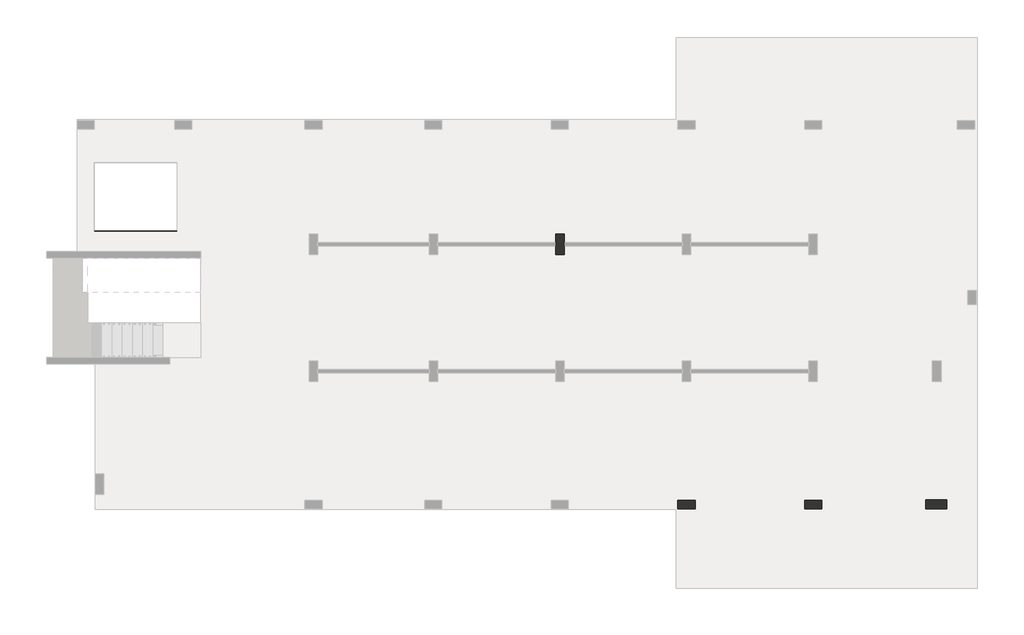
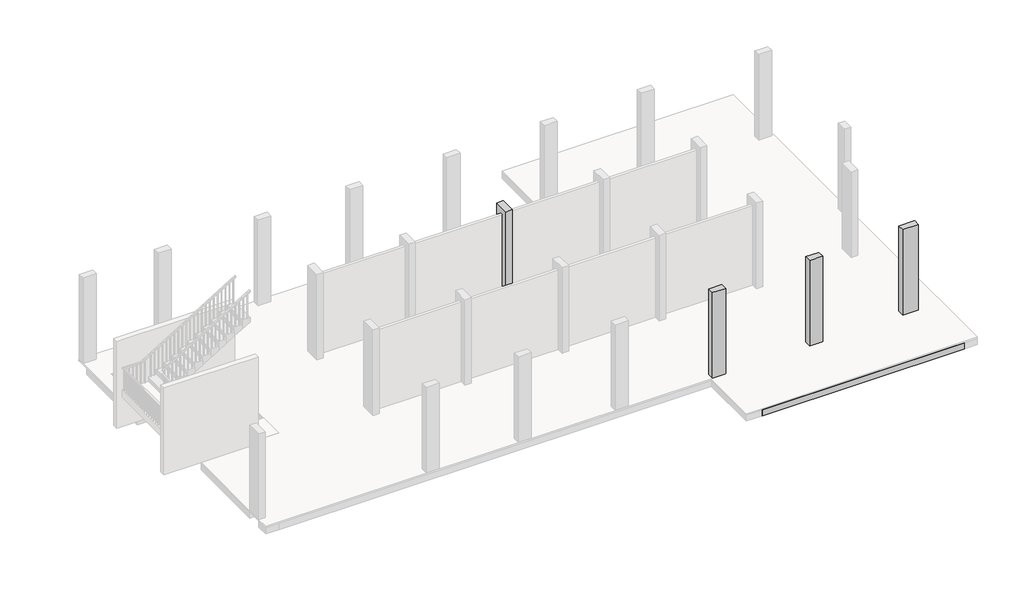
# One storey, part 3 of 5: 38 beams, 4 columns.
"""IFC4 building model written with IfcOpenShell, lengths in millimetres."""

from ifc_helpers import new_model, si_unit, frame, origin, place, context, project, spatial, polyline, outline, extrude, faceted_brep, element, save

model = new_model("IFC4")

# Units and contexts
model_context = context("Model", 3, world=origin())
ifc_project = project(units=[si_unit("LENGTHUNIT", "METRE", prefix="MILLI")], contexts=[model_context])

# Site, building, storey
site = spatial("IfcSite", under=ifc_project)
building = spatial("IfcBuilding", under=site)
storey = spatial("IfcBuildingStorey", under=building, Elevation=3500.0)

# Beams
placement = place(None, origin())
element("IfcBeam", 1, ObjectType="B 150 x 250 mm", at=placement, inside=storey, context=model_context, shape_type="SweptSolid", body=[
    extrude(outline(polyline([(21825.0195763, -7596.8939341), (21975.0195763, -7596.8939341), (21975.0195763, -10746.893934), (21825.0195763, -10746.893934), (21825.0195763, -7596.8939341)])), frame((0.0, 0.0, 3200.0), z_axis=(0.0, 0.0, 1.0), x_axis=(1.0, 0.0, 0.0)), (0.0, 0.0, 1.0), 250.0),
])
element("IfcBeam", 2, ObjectType="B 150 x 250 mm", at=placement, inside=storey, context=model_context, shape_type="SweptSolid", body=[
    extrude(outline(polyline([(22375.0195763, -7596.8939341), (22525.0195763, -7596.8939341), (22525.0195763, -10746.893934), (22375.0195763, -10746.893934), (22375.0195763, -7596.8939341)])), frame((0.0, 0.0, 3200.0), z_axis=(0.0, 0.0, 1.0), x_axis=(1.0, 0.0, 0.0)), (0.0, 0.0, 1.0), 250.0),
])
element("IfcBeam", 3, ObjectType="B 150 x 250 mm", at=placement, inside=storey, context=model_context, shape_type="SweptSolid", body=[
    extrude(outline(polyline([(22925.0195763, -7596.8939341), (23075.0195763, -7596.8939341), (23075.0195763, -10746.893934), (22925.0195763, -10746.893934), (22925.0195763, -7596.8939341)])), frame((0.0, 0.0, 3200.0), z_axis=(0.0, 0.0, 1.0), x_axis=(1.0, 0.0, 0.0)), (0.0, 0.0, 1.0), 250.0),
])
element("IfcBeam", 4, ObjectType="B 150 x 250 mm", at=placement, inside=storey, context=model_context, shape_type="SweptSolid", body=[
    extrude(outline(polyline([(23475.0195763, -7596.8939341), (23625.0195763, -7596.8939341), (23625.0195763, -10746.893934), (23475.0195763, -10746.893934), (23475.0195763, -7596.8939341)])), frame((0.0, 0.0, 3200.0), z_axis=(0.0, 0.0, 1.0), x_axis=(1.0, 0.0, 0.0)), (0.0, 0.0, 1.0), 250.0),
])
element("IfcBeam", 5, ObjectType="B 150 x 250 mm", at=placement, inside=storey, context=model_context, shape_type="SweptSolid", body=[
    extrude(outline(polyline([(24025.0195763, -7596.8939341), (24175.0195763, -7596.8939341), (24175.0195763, -10746.893934), (24025.0195763, -10746.893934), (24025.0195763, -7596.8939341)])), frame((0.0, 0.0, 3200.0), z_axis=(0.0, 0.0, 1.0), x_axis=(1.0, 0.0, 0.0)), (0.0, 0.0, 1.0), 250.0),
])
element("IfcBeam", 6, ObjectType="B 150 x 250 mm", at=placement, inside=storey, context=model_context, shape_type="SweptSolid", body=[
    extrude(outline(polyline([(24575.0195763, -7596.8939341), (24725.0195763, -7596.8939341), (24725.0195763, -10746.893934), (24575.0195763, -10746.893934), (24575.0195763, -7596.8939341)])), frame((0.0, 0.0, 3200.0), z_axis=(0.0, 0.0, 1.0), x_axis=(1.0, 0.0, 0.0)), (0.0, 0.0, 1.0), 250.0),
])
element("IfcBeam", 7, ObjectType="B 150 x 250 mm", at=placement, inside=storey, context=model_context, shape_type="SweptSolid", body=[
    extrude(outline(polyline([(25125.0195763, -7596.8939341), (25275.0195763, -7596.8939341), (25275.0195763, -10746.893934), (25125.0195763, -10746.893934), (25125.0195763, -7596.8939341)])), frame((0.0, 0.0, 3200.0), z_axis=(0.0, 0.0, 1.0), x_axis=(1.0, 0.0, 0.0)), (0.0, 0.0, 1.0), 250.0),
])
element("IfcBeam", 8, ObjectType="B 150 x 250 mm", at=placement, inside=storey, context=model_context, shape_type="SweptSolid", body=[
    extrude(outline(polyline([(21975.0195763, -13246.8939341), (21825.0195763, -13246.8939341), (21825.0195763, -11246.893934), (21975.0195763, -11246.893934), (21975.0195763, -13246.8939341)])), frame((0.0, 0.0, 3200.0), z_axis=(0.0, 0.0, 1.0), x_axis=(1.0, 0.0, 0.0)), (0.0, 0.0, 1.0), 250.0),
])
element("IfcBeam", 9, ObjectType="B 150 x 250 mm", at=placement, inside=storey, context=model_context, shape_type="SweptSolid", body=[
    extrude(outline(polyline([(22525.0195763, -13246.8939341), (22375.0195763, -13246.8939341), (22375.0195763, -11246.893934), (22525.0195763, -11246.893934), (22525.0195763, -13246.8939341)])), frame((0.0, 0.0, 3200.0), z_axis=(0.0, 0.0, 1.0), x_axis=(1.0, 0.0, 0.0)), (0.0, 0.0, 1.0), 250.0),
])
element("IfcBeam", 10, ObjectType="B 150 x 250 mm", at=placement, inside=storey, context=model_context, shape_type="SweptSolid", body=[
    extrude(outline(polyline([(23075.0195763, -13246.8939341), (22925.0195763, -13246.8939341), (22925.0195763, -11246.893934), (23075.0195763, -11246.893934), (23075.0195763, -13246.8939341)])), frame((0.0, 0.0, 3200.0), z_axis=(0.0, 0.0, 1.0), x_axis=(1.0, 0.0, 0.0)), (0.0, 0.0, 1.0), 250.0),
])
element("IfcBeam", 11, ObjectType="B 150 x 250 mm", at=placement, inside=storey, context=model_context, shape_type="SweptSolid", body=[
    extrude(outline(polyline([(23625.0195763, -13246.8939341), (23475.0195763, -13246.8939341), (23475.0195763, -11246.893934), (23625.0195763, -11246.893934), (23625.0195763, -13246.8939341)])), frame((0.0, 0.0, 3200.0), z_axis=(0.0, 0.0, 1.0), x_axis=(1.0, 0.0, 0.0)), (0.0, 0.0, 1.0), 250.0),
])
element("IfcBeam", 12, ObjectType="B 150 x 250 mm", at=placement, inside=storey, context=model_context, shape_type="SweptSolid", body=[
    extrude(outline(polyline([(24175.0195763, -13246.8939341), (24025.0195763, -13246.8939341), (24025.0195763, -11246.893934), (24175.0195763, -11246.893934), (24175.0195763, -13246.8939341)])), frame((0.0, 0.0, 3200.0), z_axis=(0.0, 0.0, 1.0), x_axis=(1.0, 0.0, 0.0)), (0.0, 0.0, 1.0), 250.0),
])
element("IfcBeam", 13, ObjectType="B 150 x 250 mm", at=placement, inside=storey, context=model_context, shape_type="SweptSolid", body=[
    extrude(outline(polyline([(24575.0195763, -11246.893934), (24725.0195763, -11246.893934), (24725.0195763, -13246.8939341), (24575.0195763, -13246.8939341), (24575.0195763, -11246.893934)])), frame((0.0, 0.0, 3200.0), z_axis=(0.0, 0.0, 1.0), x_axis=(1.0, 0.0, 0.0)), (0.0, 0.0, 1.0), 250.0),
])
element("IfcBeam", 14, ObjectType="B 150 x 250 mm", at=placement, inside=storey, context=model_context, shape_type="SweptSolid", body=[
    extrude(outline(polyline([(25275.0195763, -13246.8939341), (25125.0195763, -13246.8939341), (25125.0195763, -11246.893934), (25275.0195763, -11246.893934), (25275.0195763, -13246.8939341)])), frame((0.0, 0.0, 3200.0), z_axis=(0.0, 0.0, 1.0), x_axis=(1.0, 0.0, 0.0)), (0.0, 0.0, 1.0), 250.0),
])
element("IfcBeam", 15, ObjectType="B 150 x 250 mm", at=placement, inside=storey, context=model_context, shape_type="SweptSolid", body=[
    extrude(outline(polyline([(18375.0390798, -13246.8939341), (18225.0390798, -13246.8939341), (18225.0390798, -11246.893934), (18375.0390798, -11246.893934), (18375.0390798, -13246.8939341)])), frame((0.0, 0.0, 3200.0), z_axis=(0.0, 0.0, 1.0), x_axis=(1.0, 0.0, 0.0)), (0.0, 0.0, 1.0), 250.0),
])
element("IfcBeam", 16, ObjectType="B 150 x 250 mm", at=placement, inside=storey, context=model_context, shape_type="SweptSolid", body=[
    extrude(outline(polyline([(18925.0390798, -13246.8939341), (18775.0390798, -13246.8939341), (18775.0390798, -11246.893934), (18925.0390798, -11246.893934), (18925.0390798, -13246.8939341)])), frame((0.0, 0.0, 3200.0), z_axis=(0.0, 0.0, 1.0), x_axis=(1.0, 0.0, 0.0)), (0.0, 0.0, 1.0), 250.0),
])
element("IfcBeam", 17, ObjectType="B 150 x 250 mm", at=placement, inside=storey, context=model_context, shape_type="SweptSolid", body=[
    extrude(outline(polyline([(19475.0390798, -13246.8939341), (19325.0390798, -13246.8939341), (19325.0390798, -11246.893934), (19475.0390798, -11246.893934), (19475.0390798, -13246.8939341)])), frame((0.0, 0.0, 3200.0), z_axis=(0.0, 0.0, 1.0), x_axis=(1.0, 0.0, 0.0)), (0.0, 0.0, 1.0), 250.0),
])
element("IfcBeam", 18, ObjectType="B 150 x 250 mm", at=placement, inside=storey, context=model_context, shape_type="SweptSolid", body=[
    extrude(outline(polyline([(20025.0390798, -13246.8939341), (19875.0390798, -13246.8939341), (19875.0390798, -11246.893934), (20025.0390798, -11246.893934), (20025.0390798, -13246.8939341)])), frame((0.0, 0.0, 3200.0), z_axis=(0.0, 0.0, 1.0), x_axis=(1.0, 0.0, 0.0)), (0.0, 0.0, 1.0), 250.0),
])
element("IfcBeam", 19, ObjectType="B 150 x 250 mm", at=placement, inside=storey, context=model_context, shape_type="SweptSolid", body=[
    extrude(outline(polyline([(20575.0390798, -13246.8939341), (20425.0390798, -13246.8939341), (20425.0390798, -11246.893934), (20575.0390798, -11246.893934), (20575.0390798, -13246.8939341)])), frame((0.0, 0.0, 3200.0), z_axis=(0.0, 0.0, 1.0), x_axis=(1.0, 0.0, 0.0)), (0.0, 0.0, 1.0), 250.0),
])
element("IfcBeam", 20, ObjectType="B 150 x 250 mm", at=placement, inside=storey, context=model_context, shape_type="SweptSolid", body=[
    extrude(outline(polyline([(18225.0390798, -7596.8939341), (18375.0390798, -7596.8939341), (18375.0390798, -10746.893934), (18225.0390798, -10746.893934), (18225.0390798, -7596.8939341)])), frame((0.0, 0.0, 3200.0), z_axis=(0.0, 0.0, 1.0), x_axis=(1.0, 0.0, 0.0)), (0.0, 0.0, 1.0), 250.0),
])
element("IfcBeam", 21, ObjectType="B 150 x 250 mm", at=placement, inside=storey, context=model_context, shape_type="SweptSolid", body=[
    extrude(outline(polyline([(18775.0390798, -7596.8939341), (18925.0390798, -7596.8939341), (18925.0390798, -10746.893934), (18775.0390798, -10746.893934), (18775.0390798, -7596.8939341)])), frame((0.0, 0.0, 3200.0), z_axis=(0.0, 0.0, 1.0), x_axis=(1.0, 0.0, 0.0)), (0.0, 0.0, 1.0), 250.0),
])
element("IfcBeam", 22, ObjectType="B 150 x 250 mm", at=placement, inside=storey, context=model_context, shape_type="SweptSolid", body=[
    extrude(outline(polyline([(19325.0390798, -7596.8939341), (19475.0390798, -7596.8939341), (19475.0390798, -10746.893934), (19325.0390798, -10746.893934), (19325.0390798, -7596.8939341)])), frame((0.0, 0.0, 3200.0), z_axis=(0.0, 0.0, 1.0), x_axis=(1.0, 0.0, 0.0)), (0.0, 0.0, 1.0), 250.0),
])
element("IfcBeam", 23, ObjectType="B 150 x 250 mm", at=placement, inside=storey, context=model_context, shape_type="SweptSolid", body=[
    extrude(outline(polyline([(19875.0390798, -7596.8939341), (20025.0390798, -7596.8939341), (20025.0390798, -10746.893934), (19875.0390798, -10746.893934), (19875.0390798, -7596.8939341)])), frame((0.0, 0.0, 3200.0), z_axis=(0.0, 0.0, 1.0), x_axis=(1.0, 0.0, 0.0)), (0.0, 0.0, 1.0), 250.0),
])
element("IfcBeam", 24, ObjectType="B 150 x 250 mm", at=placement, inside=storey, context=model_context, shape_type="SweptSolid", body=[
    extrude(outline(polyline([(20425.0390798, -7596.8939341), (20575.0390798, -7596.8939341), (20575.0390798, -10746.893934), (20425.0390798, -10746.893934), (20425.0390798, -7596.8939341)])), frame((0.0, 0.0, 3200.0), z_axis=(0.0, 0.0, 1.0), x_axis=(1.0, 0.0, 0.0)), (0.0, 0.0, 1.0), 250.0),
])
element("IfcBeam", 25, ObjectType="B 150 x 250 mm", at=placement, inside=storey, context=model_context, shape_type="SweptSolid", body=[
    extrude(outline(polyline([(14525.0390798, -346.893934), (14675.0390798, -346.893934), (14675.0390798, -3096.893934), (14525.0390798, -3096.893934), (14525.0390798, -346.893934)])), frame((0.0, 0.0, 3200.0), z_axis=(0.0, 0.0, 1.0), x_axis=(1.0, 0.0, 0.0)), (0.0, 0.0, 1.0), 250.0),
])
element("IfcBeam", 26, ObjectType="B 150 x 250 mm", at=placement, inside=storey, context=model_context, shape_type="SweptSolid", body=[
    extrude(outline(polyline([(15075.0390798, -346.893934), (15225.0390798, -346.893934), (15225.0390798, -3096.893934), (15075.0390798, -3096.893934), (15075.0390798, -346.893934)])), frame((0.0, 0.0, 3200.0), z_axis=(0.0, 0.0, 1.0), x_axis=(1.0, 0.0, 0.0)), (0.0, 0.0, 1.0), 250.0),
])
element("IfcBeam", 27, ObjectType="B 150 x 250 mm", at=placement, inside=storey, context=model_context, shape_type="SweptSolid", body=[
    extrude(outline(polyline([(15625.0390798, -346.893934), (15775.0390798, -346.893934), (15775.0390798, -3096.893934), (15625.0390798, -3096.893934), (15625.0390798, -346.893934)])), frame((0.0, 0.0, 3200.0), z_axis=(0.0, 0.0, 1.0), x_axis=(1.0, 0.0, 0.0)), (0.0, 0.0, 1.0), 250.0),
])
element("IfcBeam", 28, ObjectType="B 150 x 250 mm", at=placement, inside=storey, context=model_context, shape_type="SweptSolid", body=[
    extrude(outline(polyline([(16175.0390798, -7596.8939341), (16325.0390798, -7596.8939341), (16325.0390798, -10746.893934), (16175.0390798, -10746.893934), (16175.0390798, -7596.8939341)])), frame((0.0, 0.0, 3200.0), z_axis=(0.0, 0.0, 1.0), x_axis=(1.0, 0.0, 0.0)), (0.0, 0.0, 1.0), 250.0),
])
element("IfcBeam", 29, ObjectType="B 150 x 250 mm", at=placement, inside=storey, context=model_context, shape_type="SweptSolid", body=[
    extrude(outline(polyline([(16725.0390798, -7596.8939341), (16875.0390798, -7596.8939341), (16875.0390798, -10746.893934), (16725.0390798, -10746.893934), (16725.0390798, -7596.8939341)])), frame((0.0, 0.0, 3200.0), z_axis=(0.0, 0.0, 1.0), x_axis=(1.0, 0.0, 0.0)), (0.0, 0.0, 1.0), 250.0),
])
element("IfcBeam", 30, ObjectType="B 150 x 250 mm", at=placement, inside=storey, context=model_context, shape_type="SweptSolid", body=[
    extrude(outline(polyline([(10825.0390798, -346.893934), (10975.0390798, -346.893934), (10975.0390798, -3096.893934), (10825.0390798, -3096.893934), (10825.0390798, -346.893934)])), frame((0.0, 0.0, 3200.0), z_axis=(0.0, 0.0, 1.0), x_axis=(1.0, 0.0, 0.0)), (0.0, 0.0, 1.0), 250.0),
])
element("IfcBeam", 31, ObjectType="B 150 x 250 mm", at=placement, inside=storey, context=model_context, shape_type="SweptSolid", body=[
    extrude(outline(polyline([(11375.0390798, -346.893934), (11525.0390798, -346.893934), (11525.0390798, -3096.893934), (11375.0390798, -3096.893934), (11375.0390798, -346.893934)])), frame((0.0, 0.0, 3200.0), z_axis=(0.0, 0.0, 1.0), x_axis=(1.0, 0.0, 0.0)), (0.0, 0.0, 1.0), 250.0),
])
element("IfcBeam", 32, ObjectType="B 150 x 250 mm", at=placement, inside=storey, context=model_context, shape_type="SweptSolid", body=[
    extrude(outline(polyline([(11925.0390798, -346.893934), (12075.0390798, -346.893934), (12075.0390798, -3096.893934), (11925.0390798, -3096.893934), (11925.0390798, -346.893934)])), frame((0.0, 0.0, 3200.0), z_axis=(0.0, 0.0, 1.0), x_axis=(1.0, 0.0, 0.0)), (0.0, 0.0, 1.0), 250.0),
])
element("IfcBeam", 33, ObjectType="B 150 x 250 mm", at=placement, inside=storey, context=model_context, shape_type="SweptSolid", body=[
    extrude(outline(polyline([(12475.0390798, -346.893934), (12625.0390798, -346.893934), (12625.0390798, -3096.893934), (12475.0390798, -3096.893934), (12475.0390798, -346.893934)])), frame((0.0, 0.0, 3200.0), z_axis=(0.0, 0.0, 1.0), x_axis=(1.0, 0.0, 0.0)), (0.0, 0.0, 1.0), 250.0),
])
element("IfcBeam", 34, ObjectType="B 150 x 250 mm", at=placement, inside=storey, context=model_context, shape_type="SweptSolid", body=[
    extrude(outline(polyline([(13025.0390798, -346.893934), (13175.0390798, -346.893934), (13175.0390798, -3096.893934), (13025.0390798, -3096.893934), (13025.0390798, -346.893934)])), frame((0.0, 0.0, 3200.0), z_axis=(0.0, 0.0, 1.0), x_axis=(1.0, 0.0, 0.0)), (0.0, 0.0, 1.0), 250.0),
])
element("IfcBeam", 35, ObjectType="B 150 x 250 mm", at=placement, inside=storey, context=model_context, shape_type="SweptSolid", body=[
    extrude(outline(polyline([(8875.0390798, -346.893934), (9025.0390798, -346.893934), (9025.0390798, -3096.893934), (8875.0390798, -3096.893934), (8875.0390798, -346.893934)])), frame((0.0, 0.0, 3200.0), z_axis=(0.0, 0.0, 1.0), x_axis=(1.0, 0.0, 0.0)), (0.0, 0.0, 1.0), 250.0),
])
element("IfcBeam", 36, ObjectType="B 150 x 250 mm", at=placement, inside=storey, context=model_context, shape_type="SweptSolid", body=[
    extrude(outline(polyline([(9425.0390798, -346.893934), (9575.0390798, -346.893934), (9575.0390798, -3096.893934), (9425.0390798, -3096.893934), (9425.0390798, -346.893934)])), frame((0.0, 0.0, 3200.0), z_axis=(0.0, 0.0, 1.0), x_axis=(1.0, 0.0, 0.0)), (0.0, 0.0, 1.0), 250.0),
])
element("IfcBeam", 37, ObjectType="B4 800 x 250 mm", at=placement, inside=storey, context=model_context, shape_type="Brep", body=[
    faceted_brep([(250.0, -3096.893934, 3450.0), (250.0, -3096.893934, 3200.0), (250.0, -3696.893934, 3200.0), (250.0, -3696.893934, 3450.0), (25550.0000727, -3896.893934, 3450.0), (25550.0000727, -3896.893934, 3200.0), (25550.0000727, -3096.893934, 3200.0), (25550.0000727, -3096.893934, 3450.0), (25275.0195763, -3096.893934, 3450.0), (25125.0195763, -3096.893934, 3450.0), (24725.0195763, -3096.893934, 3450.0), (24575.0195763, -3096.893934, 3450.0), (24175.0195763, -3096.893934, 3450.0), (24025.0195763, -3096.893934, 3450.0), (23625.0195763, -3096.893934, 3450.0), (23475.0195763, -3096.893934, 3450.0), (23075.0195763, -3096.893934, 3450.0), (22925.0195763, -3096.893934, 3450.0), (22525.0195763, -3096.893934, 3450.0), (22375.0195763, -3096.893934, 3450.0), (21975.0195763, -3096.893934, 3450.0), (21825.0195763, -3096.893934, 3450.0), (21550.0390798, -3096.893934, 3450.0), (20950.0390798, -3096.893934, 3450.0), (20575.0390798, -3096.893934, 3450.0), (20425.0390798, -3096.893934, 3450.0), (20025.0390798, -3096.893934, 3450.0), (19875.0390798, -3096.893934, 3450.0), (19475.0390798, -3096.893934, 3450.0), (19325.0390798, -3096.893934, 3450.0), (18925.0390798, -3096.893934, 3450.0), (18775.0390798, -3096.893934, 3450.0), (18375.0390798, -3096.893934, 3450.0), (18225.0390798, -3096.893934, 3450.0), (17850.0390798, -3096.893934, 3450.0), (17250.0390798, -3096.893934, 3450.0), (16875.0390798, -3096.893934, 3450.0), (16725.0390798, -3096.893934, 3450.0), (16325.0390798, -3096.893934, 3450.0), (16175.0390798, -3096.893934, 3450.0), (15775.0390798, -3096.893934, 3450.0), (15625.0390798, -3096.893934, 3450.0), (15225.0390798, -3096.893934, 3450.0), (15075.0390798, -3096.893934, 3450.0), (14675.0390798, -3096.893934, 3450.0), (14525.0390798, -3096.893934, 3450.0), (14150.0390798, -3096.893934, 3450.0), (13550.0390798, -3096.893934, 3450.0), (13175.0390798, -3096.893934, 3450.0), (13025.0390798, -3096.893934, 3450.0), (12625.0390798, -3096.893934, 3450.0), (12475.0390798, -3096.893934, 3450.0), (12075.0390798, -3096.893934, 3450.0), (11925.0390798, -3096.893934, 3450.0), (11525.0390798, -3096.893934, 3450.0), (11375.0390798, -3096.893934, 3450.0), (10975.0390798, -3096.893934, 3450.0), (10825.0390798, -3096.893934, 3450.0), (10450.0390798, -3096.893934, 3450.0), (9850.0390798, -3096.893934, 3450.0), (9575.0390798, -3096.893934, 3450.0), (9425.0390798, -3096.893934, 3450.0), (9025.0390798, -3096.893934, 3450.0), (8875.0390798, -3096.893934, 3450.0), (8475.0390798, -3096.893934, 3450.0), (8325.0390798, -3096.893934, 3450.0), (7925.0390798, -3096.893934, 3450.0), (7775.0390798, -3096.893934, 3450.0), (7375.0390798, -3096.893934, 3450.0), (7225.0390798, -3096.893934, 3450.0), (6950.0390798, -3096.893934, 3450.0), (6350.0390798, -3096.893934, 3450.0), (6125.0195399, -3096.893934, 3450.0), (5975.0195399, -3096.893934, 3450.0), (5575.0195399, -3096.893934, 3450.0), (5425.0195399, -3096.893934, 3450.0), (5025.0195399, -3096.893934, 3450.0), (4875.0195399, -3096.893934, 3450.0), (4475.0195399, -3096.893934, 3450.0), (4325.0195399, -3096.893934, 3450.0), (3925.0195399, -3096.893934, 3450.0), (3775.0195399, -3096.893934, 3450.0), (3375.0195399, -3096.893934, 3450.0), (3225.0195399, -3096.893934, 3450.0), (2814.8770182, -3096.893934, 3450.0), (2664.8770182, -3096.893934, 3450.0), (2650.0, -3096.893934, 3450.0), (3350.0, -3696.893934, 3450.0), (3350.0, -3896.893934, 3450.0), (3850.0, -3896.893934, 3450.0), (3925.0195399, -3896.893934, 3450.0), (4075.0195399, -3896.893934, 3450.0), (4475.0195399, -3896.893934, 3450.0), (4625.0195399, -3896.893934, 3450.0), (5025.0195399, -3896.893934, 3450.0), (5175.0195399, -3896.893934, 3450.0), (5575.0195399, -3896.893934, 3450.0), (5725.0195399, -3896.893934, 3450.0), (6125.0195399, -3896.893934, 3450.0), (6275.0195399, -3896.893934, 3450.0), (6350.0390798, -3896.893934, 3450.0), (6950.0390798, -3896.893934, 3450.0), (7225.0390798, -3896.893934, 3450.0), (7375.0390798, -3896.893934, 3450.0), (7775.0390798, -3896.893934, 3450.0), (7925.0390798, -3896.893934, 3450.0), (8325.0390798, -3896.893934, 3450.0), (8475.0390798, -3896.893934, 3450.0), (8875.0390798, -3896.893934, 3450.0), (9025.0390798, -3896.893934, 3450.0), (9425.0390798, -3896.893934, 3450.0), (9575.0390798, -3896.893934, 3450.0), (9850.0390798, -3896.893934, 3450.0), (10450.0390798, -3896.893934, 3450.0), (10825.0390798, -3896.893934, 3450.0), (10975.0390798, -3896.893934, 3450.0), (11375.0390798, -3896.893934, 3450.0), (11525.0390798, -3896.893934, 3450.0), (11925.0390798, -3896.893934, 3450.0), (12075.0390798, -3896.893934, 3450.0), (12475.0390798, -3896.893934, 3450.0), (12625.0390798, -3896.893934, 3450.0), (13025.0390798, -3896.893934, 3450.0), (13175.0390798, -3896.893934, 3450.0), (13550.0390798, -3896.893934, 3450.0), (14150.0390798, -3896.893934, 3450.0), (14525.0390798, -3896.893934, 3450.0), (14675.0390798, -3896.893934, 3450.0), (15075.0390798, -3896.893934, 3450.0), (15225.0390798, -3896.893934, 3450.0), (15625.0390798, -3896.893934, 3450.0), (15775.0390798, -3896.893934, 3450.0), (16175.0390798, -3896.893934, 3450.0), (16325.0390798, -3896.893934, 3450.0), (16725.0390798, -3896.893934, 3450.0), (16875.0390798, -3896.893934, 3450.0), (17250.0390798, -3896.893934, 3450.0), (17850.0390798, -3896.893934, 3450.0), (18225.0390798, -3896.893934, 3450.0), (18375.0390798, -3896.893934, 3450.0), (18775.0390798, -3896.893934, 3450.0), (18925.0390798, -3896.893934, 3450.0), (19325.0390798, -3896.893934, 3450.0), (19475.0390798, -3896.893934, 3450.0), (19875.0390798, -3896.893934, 3450.0), (20025.0390798, -3896.893934, 3450.0), (20425.0390798, -3896.893934, 3450.0), (20575.0390798, -3896.893934, 3450.0), (20950.0390798, -3896.893934, 3450.0), (21550.0390798, -3896.893934, 3450.0), (21825.0195763, -3896.893934, 3450.0), (21975.0195763, -3896.893934, 3450.0), (22375.0195763, -3896.893934, 3450.0), (22525.0195763, -3896.893934, 3450.0), (22925.0195763, -3896.893934, 3450.0), (23075.0195763, -3896.893934, 3450.0), (23475.0195763, -3896.893934, 3450.0), (23625.0195763, -3896.893934, 3450.0), (24025.0195763, -3896.893934, 3450.0), (24175.0195763, -3896.893934, 3450.0), (24575.0195763, -3896.893934, 3450.0), (24725.0195763, -3896.893934, 3450.0), (25125.0195763, -3896.893934, 3450.0), (25275.0195763, -3896.893934, 3450.0), (21125.0390798, -3195.451857, 3450.0), (21375.0390798, -3195.451857, 3450.0), (21375.0390798, -3795.451857, 3450.0), (21125.0390798, -3795.451857, 3450.0), (17425.0390798, -3195.451857, 3450.0), (17675.0390798, -3195.451857, 3450.0), (17675.0390798, -3795.451857, 3450.0), (17425.0390798, -3795.451857, 3450.0), (13725.0390798, -3195.451857, 3450.0), (13975.0390798, -3195.451857, 3450.0), (13975.0390798, -3795.451857, 3450.0), (13725.0390798, -3795.451857, 3450.0), (10025.0390798, -3195.451857, 3450.0), (10275.0390798, -3195.451857, 3450.0), (10275.0390798, -3795.451857, 3450.0), (10025.0390798, -3795.451857, 3450.0), (6525.0390798, -3196.893934, 3450.0), (6775.0390798, -3196.893934, 3450.0), (6775.0390798, -3796.893934, 3450.0), (6525.0390798, -3796.893934, 3450.0), (25275.0195763, -3096.893934, 3200.0), (25125.0195763, -3096.893934, 3200.0), (24725.0195763, -3096.893934, 3200.0), (24575.0195763, -3096.893934, 3200.0), (24175.0195763, -3096.893934, 3200.0), (24025.0195763, -3096.893934, 3200.0), (23625.0195763, -3096.893934, 3200.0), (23475.0195763, -3096.893934, 3200.0), (23075.0195763, -3096.893934, 3200.0), (22925.0195763, -3096.893934, 3200.0), (22525.0195763, -3096.893934, 3200.0), (22375.0195763, -3096.893934, 3200.0), (21975.0195763, -3096.893934, 3200.0), (21825.0195763, -3096.893934, 3200.0), (21550.0390798, -3096.893934, 3200.0), (20950.0390798, -3096.893934, 3200.0), (20575.0390798, -3096.893934, 3200.0), (20425.0390798, -3096.893934, 3200.0), (20025.0390798, -3096.893934, 3200.0), (19875.0390798, -3096.893934, 3200.0), (19475.0390798, -3096.893934, 3200.0), (19325.0390798, -3096.893934, 3200.0), (18925.0390798, -3096.893934, 3200.0), (18775.0390798, -3096.893934, 3200.0), (18375.0390798, -3096.893934, 3200.0), (18225.0390798, -3096.893934, 3200.0), (17850.0390798, -3096.893934, 3200.0), (17250.0390798, -3096.893934, 3200.0), (16875.0390798, -3096.893934, 3200.0), (16725.0390798, -3096.893934, 3200.0), (16325.0390798, -3096.893934, 3200.0), (16175.0390798, -3096.893934, 3200.0), (15775.0390798, -3096.893934, 3200.0), (15625.0390798, -3096.893934, 3200.0), (15225.0390798, -3096.893934, 3200.0), (15075.0390798, -3096.893934, 3200.0), (14675.0390798, -3096.893934, 3200.0), (14525.0390798, -3096.893934, 3200.0), (14150.0390798, -3096.893934, 3200.0), (13550.0390798, -3096.893934, 3200.0), (13175.0390798, -3096.893934, 3200.0), (13025.0390798, -3096.893934, 3200.0), (12625.0390798, -3096.893934, 3200.0), (12475.0390798, -3096.893934, 3200.0), (12075.0390798, -3096.893934, 3200.0), (11925.0390798, -3096.893934, 3200.0), (11525.0390798, -3096.893934, 3200.0), (11375.0390798, -3096.893934, 3200.0), (10975.0390798, -3096.893934, 3200.0), (10825.0390798, -3096.893934, 3200.0), (10450.0390798, -3096.893934, 3200.0), (9850.0390798, -3096.893934, 3200.0), (9575.0390798, -3096.893934, 3200.0), (9425.0390798, -3096.893934, 3200.0), (9025.0390798, -3096.893934, 3200.0), (8875.0390798, -3096.893934, 3200.0), (8475.0390798, -3096.893934, 3200.0), (8325.0390798, -3096.893934, 3200.0), (7925.0390798, -3096.893934, 3200.0), (7775.0390798, -3096.893934, 3200.0), (7375.0390798, -3096.893934, 3200.0), (7225.0390798, -3096.893934, 3200.0), (6950.0390798, -3096.893934, 3200.0), (6350.0390798, -3096.893934, 3200.0), (6125.0195399, -3096.893934, 3200.0), (5975.0195399, -3096.893934, 3200.0), (5575.0195399, -3096.893934, 3200.0), (5425.0195399, -3096.893934, 3200.0), (5025.0195399, -3096.893934, 3200.0), (4875.0195399, -3096.893934, 3200.0), (4475.0195399, -3096.893934, 3200.0), (4325.0195399, -3096.893934, 3200.0), (3925.0195399, -3096.893934, 3200.0), (3775.0195399, -3096.893934, 3200.0), (3375.0195399, -3096.893934, 3200.0), (3225.0195399, -3096.893934, 3200.0), (2814.8770182, -3096.893934, 3200.0), (2664.8770182, -3096.893934, 3200.0), (25275.0195763, -3896.893934, 3200.0), (25125.0195763, -3896.893934, 3200.0), (24725.0195763, -3896.893934, 3200.0), (24575.0195763, -3896.893934, 3200.0), (24175.0195763, -3896.893934, 3200.0), (24025.0195763, -3896.893934, 3200.0), (23625.0195763, -3896.893934, 3200.0), (23475.0195763, -3896.893934, 3200.0), (23075.0195763, -3896.893934, 3200.0), (22925.0195763, -3896.893934, 3200.0), (22525.0195763, -3896.893934, 3200.0), (22375.0195763, -3896.893934, 3200.0), (21975.0195763, -3896.893934, 3200.0), (21825.0195763, -3896.893934, 3200.0), (21550.0390798, -3896.893934, 3200.0), (20950.0390798, -3896.893934, 3200.0), (20575.0390798, -3896.893934, 3200.0), (20425.0390798, -3896.893934, 3200.0), (20025.0390798, -3896.893934, 3200.0), (19875.0390798, -3896.893934, 3200.0), (19475.0390798, -3896.893934, 3200.0), (19325.0390798, -3896.893934, 3200.0), (18925.0390798, -3896.893934, 3200.0), (18775.0390798, -3896.893934, 3200.0), (18375.0390798, -3896.893934, 3200.0), (18225.0390798, -3896.893934, 3200.0), (17850.0390798, -3896.893934, 3200.0), (17250.0390798, -3896.893934, 3200.0), (16875.0390798, -3896.893934, 3200.0), (16725.0390798, -3896.893934, 3200.0), (16325.0390798, -3896.893934, 3200.0), (16175.0390798, -3896.893934, 3200.0), (15775.0390798, -3896.893934, 3200.0), (15625.0390798, -3896.893934, 3200.0), (15225.0390798, -3896.893934, 3200.0), (15075.0390798, -3896.893934, 3200.0), (14675.0390798, -3896.893934, 3200.0), (14525.0390798, -3896.893934, 3200.0), (14150.0390798, -3896.893934, 3200.0), (13550.0390798, -3896.893934, 3200.0), (13175.0390798, -3896.893934, 3200.0), (13025.0390798, -3896.893934, 3200.0), (12625.0390798, -3896.893934, 3200.0), (12475.0390798, -3896.893934, 3200.0), (12075.0390798, -3896.893934, 3200.0), (11925.0390798, -3896.893934, 3200.0), (11525.0390798, -3896.893934, 3200.0), (11375.0390798, -3896.893934, 3200.0), (10975.0390798, -3896.893934, 3200.0), (10825.0390798, -3896.893934, 3200.0), (10450.0390798, -3896.893934, 3200.0), (9850.0390798, -3896.893934, 3200.0), (9575.0390798, -3896.893934, 3200.0), (9425.0390798, -3896.893934, 3200.0), (9025.0390798, -3896.893934, 3200.0), (8875.0390798, -3896.893934, 3200.0), (8475.0390798, -3896.893934, 3200.0), (8325.0390798, -3896.893934, 3200.0), (7925.0390798, -3896.893934, 3200.0), (7775.0390798, -3896.893934, 3200.0), (7375.0390798, -3896.893934, 3200.0), (7225.0390798, -3896.893934, 3200.0), (6950.0390798, -3896.893934, 3200.0), (6350.0390798, -3896.893934, 3200.0), (6275.0195399, -3896.893934, 3200.0), (6125.0195399, -3896.893934, 3200.0), (5725.0195399, -3896.893934, 3200.0), (5575.0195399, -3896.893934, 3200.0), (5175.0195399, -3896.893934, 3200.0), (5025.0195399, -3896.893934, 3200.0), (4625.0195399, -3896.893934, 3200.0), (4475.0195399, -3896.893934, 3200.0), (4075.0195399, -3896.893934, 3200.0), (3925.0195399, -3896.893934, 3200.0), (3850.0, -3896.893934, 3200.0), (3350.0, -3896.893934, 3200.0), (3350.0, -3696.893934, 3200.0), (21375.0390798, -3195.451857, 3200.0), (21125.0390798, -3195.451857, 3200.0), (21125.0390798, -3795.451857, 3200.0), (21375.0390798, -3795.451857, 3200.0), (17675.0390798, -3195.451857, 3200.0), (17425.0390798, -3195.451857, 3200.0), (17425.0390798, -3795.451857, 3200.0), (17675.0390798, -3795.451857, 3200.0), (13975.0390798, -3195.451857, 3200.0), (13725.0390798, -3195.451857, 3200.0), (13725.0390798, -3795.451857, 3200.0), (13975.0390798, -3795.451857, 3200.0), (10275.0390798, -3195.451857, 3200.0), (10025.0390798, -3195.451857, 3200.0), (10025.0390798, -3795.451857, 3200.0), (10275.0390798, -3795.451857, 3200.0), (6775.0390798, -3196.893934, 3200.0), (6525.0390798, -3196.893934, 3200.0), (6525.0390798, -3796.893934, 3200.0), (6775.0390798, -3796.893934, 3200.0)], [[[0, 1, 2, 3]], [[4, 5, 6, 7]], [[4, 7, 8, 9, 10, 11, 12, 13, 14, 15, 16, 17, 18, 19, 20, 21, 22, 23, 24, 25, 26, 27, 28, 29, 30, 31, 32, 33, 34, 35, 36, 37, 38, 39, 40, 41, 42, 43, 44, 45, 46, 47, 48, 49, 50, 51, 52, 53, 54, 55, 56, 57, 58, 59, 60, 61, 62, 63, 64, 65, 66, 67, 68, 69, 70, 71, 72, 73, 74, 75, 76, 77, 78, 79, 80, 81, 82, 83, 84, 85, 86, 0, 3, 87, 88, 89, 90, 91, 92, 93, 94, 95, 96, 97, 98, 99, 100, 101, 102, 103, 104, 105, 106, 107, 108, 109, 110, 111, 112, 113, 114, 115, 116, 117, 118, 119, 120, 121, 122, 123, 124, 125, 126, 127, 128, 129, 130, 131, 132, 133, 134, 135, 136, 137, 138, 139, 140, 141, 142, 143, 144, 145, 146, 147, 148, 149, 150, 151, 152, 153, 154, 155, 156, 157, 158, 159, 160, 161, 162, 163], [164, 165, 166, 167], [168, 169, 170, 171], [172, 173, 174, 175], [176, 177, 178, 179], [180, 181, 182, 183]], [[1, 0, 86, 85, 84, 83, 82, 81, 80, 79, 78, 77, 76, 75, 74, 73, 72, 71, 70, 69, 68, 67, 66, 65, 64, 63, 62, 61, 60, 59, 58, 57, 56, 55, 54, 53, 52, 51, 50, 49, 48, 47, 46, 45, 44, 43, 42, 41, 40, 39, 38, 37, 36, 35, 34, 33, 32, 31, 30, 29, 28, 27, 26, 25, 24, 23, 22, 21, 20, 19, 18, 17, 16, 15, 14, 13, 12, 11, 10, 9, 8, 7, 6, 184, 185, 186, 187, 188, 189, 190, 191, 192, 193, 194, 195, 196, 197, 198, 199, 200, 201, 202, 203, 204, 205, 206, 207, 208, 209, 210, 211, 212, 213, 214, 215, 216, 217, 218, 219, 220, 221, 222, 223, 224, 225, 226, 227, 228, 229, 230, 231, 232, 233, 234, 235, 236, 237, 238, 239, 240, 241, 242, 243, 244, 245, 246, 247, 248, 249, 250, 251, 252, 253, 254, 255, 256, 257, 258, 259, 260, 261]], [[6, 5, 262, 263, 264, 265, 266, 267, 268, 269, 270, 271, 272, 273, 274, 275, 276, 277, 278, 279, 280, 281, 282, 283, 284, 285, 286, 287, 288, 289, 290, 291, 292, 293, 294, 295, 296, 297, 298, 299, 300, 301, 302, 303, 304, 305, 306, 307, 308, 309, 310, 311, 312, 313, 314, 315, 316, 317, 318, 319, 320, 321, 322, 323, 324, 325, 326, 327, 328, 329, 330, 331, 332, 333, 334, 335, 336, 337, 338, 2, 1, 261, 260, 259, 258, 257, 256, 255, 254, 253, 252, 251, 250, 249, 248, 247, 246, 245, 244, 243, 242, 241, 240, 239, 238, 237, 236, 235, 234, 233, 232, 231, 230, 229, 228, 227, 226, 225, 224, 223, 222, 221, 220, 219, 218, 217, 216, 215, 214, 213, 212, 211, 210, 209, 208, 207, 206, 205, 204, 203, 202, 201, 200, 199, 198, 197, 196, 195, 194, 193, 192, 191, 190, 189, 188, 187, 186, 185, 184], [339, 340, 341, 342], [343, 344, 345, 346], [347, 348, 349, 350], [351, 352, 353, 354], [355, 356, 357, 358]], [[5, 4, 163, 162, 161, 160, 159, 158, 157, 156, 155, 154, 153, 152, 151, 150, 149, 148, 147, 146, 145, 144, 143, 142, 141, 140, 139, 138, 137, 136, 135, 134, 133, 132, 131, 130, 129, 128, 127, 126, 125, 124, 123, 122, 121, 120, 119, 118, 117, 116, 115, 114, 113, 112, 111, 110, 109, 108, 107, 106, 105, 104, 103, 102, 101, 100, 99, 98, 97, 96, 95, 94, 93, 92, 91, 90, 89, 88, 337, 336, 335, 334, 333, 332, 331, 330, 329, 328, 327, 326, 325, 324, 323, 322, 321, 320, 319, 318, 317, 316, 315, 314, 313, 312, 311, 310, 309, 308, 307, 306, 305, 304, 303, 302, 301, 300, 299, 298, 297, 296, 295, 294, 293, 292, 291, 290, 289, 288, 287, 286, 285, 284, 283, 282, 281, 280, 279, 278, 277, 276, 275, 274, 273, 272, 271, 270, 269, 268, 267, 266, 265, 264, 263, 262]], [[339, 165, 164, 340]], [[166, 342, 341, 167]], [[165, 339, 342, 166]], [[167, 341, 340, 164]], [[343, 169, 168, 344]], [[170, 346, 345, 171]], [[169, 343, 346, 170]], [[171, 345, 344, 168]], [[347, 173, 172, 348]], [[174, 350, 349, 175]], [[173, 347, 350, 174]], [[175, 349, 348, 172]], [[351, 177, 176, 352]], [[178, 354, 353, 179]], [[177, 351, 354, 178]], [[179, 353, 352, 176]], [[355, 181, 180, 356]], [[182, 358, 357, 183]], [[181, 355, 358, 182]], [[183, 357, 356, 180]], [[338, 87, 3, 2]], [[87, 338, 337, 88]]]),
])
element("IfcBeam", 38, ObjectType="B7 300 x 250 mm", at=placement, inside=storey, context=model_context, shape_type="Brep", body=[
    faceted_brep([(17850.0390798, -13546.8939341, 3450.0), (17850.0390798, -13246.8939341, 3450.0), (17850.0390798, -13246.8939341, 3200.0), (17850.0390798, -13546.8939341, 3200.0), (25550.0000727, -13546.8939341, 3450.0), (25550.0000727, -13246.8939341, 3450.0), (25275.0195763, -13246.8939341, 3450.0), (25125.0195763, -13246.8939341, 3450.0), (24725.0195763, -13246.8939341, 3450.0), (24575.0195763, -13246.8939341, 3450.0), (24175.0195763, -13246.8939341, 3450.0), (24025.0195763, -13246.8939341, 3450.0), (23625.0195763, -13246.8939341, 3450.0), (23475.0195763, -13246.8939341, 3450.0), (23075.0195763, -13246.8939341, 3450.0), (22925.0195763, -13246.8939341, 3450.0), (22525.0195763, -13246.8939341, 3450.0), (22375.0195763, -13246.8939341, 3450.0), (21975.0195763, -13246.8939341, 3450.0), (21825.0195763, -13246.8939341, 3450.0), (21550.0390798, -13246.8939341, 3450.0), (20950.0390798, -13246.8939341, 3450.0), (20575.0390798, -13246.8939341, 3450.0), (20425.0390798, -13246.8939341, 3450.0), (20025.0390798, -13246.8939341, 3450.0), (19875.0390798, -13246.8939341, 3450.0), (19475.0390798, -13246.8939341, 3450.0), (19325.0390798, -13246.8939341, 3450.0), (18925.0390798, -13246.8939341, 3450.0), (18775.0390798, -13246.8939341, 3450.0), (18375.0390798, -13246.8939341, 3450.0), (18225.0390798, -13246.8939341, 3450.0), (25550.0000727, -13246.8939341, 3200.0), (25275.0195763, -13246.8939341, 3200.0), (25125.0195763, -13246.8939341, 3200.0), (24725.0195763, -13246.8939341, 3200.0), (24575.0195763, -13246.8939341, 3200.0), (24175.0195763, -13246.8939341, 3200.0), (24025.0195763, -13246.8939341, 3200.0), (23625.0195763, -13246.8939341, 3200.0), (23475.0195763, -13246.8939341, 3200.0), (23075.0195763, -13246.8939341, 3200.0), (22925.0195763, -13246.8939341, 3200.0), (22525.0195763, -13246.8939341, 3200.0), (22375.0195763, -13246.8939341, 3200.0), (21975.0195763, -13246.8939341, 3200.0), (21825.0195763, -13246.8939341, 3200.0), (21550.0390798, -13246.8939341, 3200.0), (20950.0390798, -13246.8939341, 3200.0), (20575.0390798, -13246.8939341, 3200.0), (20425.0390798, -13246.8939341, 3200.0), (20025.0390798, -13246.8939341, 3200.0), (19875.0390798, -13246.8939341, 3200.0), (19475.0390798, -13246.8939341, 3200.0), (19325.0390798, -13246.8939341, 3200.0), (18925.0390798, -13246.8939341, 3200.0), (18775.0390798, -13246.8939341, 3200.0), (18375.0390798, -13246.8939341, 3200.0), (18225.0390798, -13246.8939341, 3200.0), (25550.0000727, -13546.8939341, 3200.0)], [[[0, 1, 2, 3]], [[1, 0, 4, 5, 6, 7, 8, 9, 10, 11, 12, 13, 14, 15, 16, 17, 18, 19, 20, 21, 22, 23, 24, 25, 26, 27, 28, 29, 30, 31]], [[2, 1, 31, 30, 29, 28, 27, 26, 25, 24, 23, 22, 21, 20, 19, 18, 17, 16, 15, 14, 13, 12, 11, 10, 9, 8, 7, 6, 5, 32, 33, 34, 35, 36, 37, 38, 39, 40, 41, 42, 43, 44, 45, 46, 47, 48, 49, 50, 51, 52, 53, 54, 55, 56, 57, 58]], [[3, 2, 58, 57, 56, 55, 54, 53, 52, 51, 50, 49, 48, 47, 46, 45, 44, 43, 42, 41, 40, 39, 38, 37, 36, 35, 34, 33, 32, 59]], [[0, 3, 59, 4]], [[5, 4, 59, 32]]]),
])

# Columns
element("IfcColumn", 39, ObjectType="C1 25 x 50mm", at=placement, inside=storey, context=model_context, shape_type="SweptSolid", body=[
    extrude(outline(polyline([(21000.0390798, -10971.8939341), (21500.0390798, -10971.8939341), (21500.0390798, -11221.8939341), (21000.0390798, -11221.8939341), (21000.0390798, -10971.8939341)])), frame((0.0, 0.0, 3500.0), z_axis=(0.0, 0.0, 1.0), x_axis=(1.0, 0.0, 0.0)), (0.0, 0.0, 1.0), 3450.0),
])
element("IfcColumn", 40, ObjectType="C1 25 x 50mm", at=placement, inside=storey, context=model_context, shape_type="SweptSolid", body=[
    extrude(outline(polyline([(17300.0390798, -10971.8939341), (17800.0390798, -10971.8939341), (17800.0390798, -11221.8939341), (17300.0390798, -11221.8939341), (17300.0390798, -10971.8939341)])), frame((0.0, 0.0, 3500.0), z_axis=(0.0, 0.0, 1.0), x_axis=(1.0, 0.0, 0.0)), (0.0, 0.0, 1.0), 3450.0),
])
element("IfcColumn", 41, ObjectType="C2 25 x 60 mm", at=placement, inside=storey, context=model_context, shape_type="Brep", body=[
    faceted_brep([(13975.0390798, -3195.451857, 3500.0), (13975.0390798, -3445.451857, 3500.0), (13975.0390798, -3545.451857, 3500.0), (13975.0390798, -3795.451857, 3500.0), (13725.0390798, -3795.451857, 3500.0), (13725.0390798, -3545.451857, 3500.0), (13725.0390798, -3445.451857, 3500.0), (13725.0390798, -3195.451857, 3500.0), (13725.0390798, -3195.451857, 6700.0), (13725.0390798, -3195.451857, 6950.0), (13975.0390798, -3195.451857, 6950.0), (13975.0390798, -3195.451857, 6700.0), (13725.0390798, -3795.451857, 6700.0), (13725.0390798, -3795.451857, 6950.0), (13975.0390798, -3795.451857, 6700.0), (13975.0390798, -3795.451857, 6950.0)], [[[0, 1, 2, 3, 4, 5, 6, 7]], [[0, 7, 8, 9, 10, 11]], [[7, 6, 5, 4, 12, 13, 9, 8]], [[4, 3, 14, 15, 13, 12]], [[3, 2, 1, 0, 11, 10, 15, 14]], [[10, 9, 13, 15]]]),
])
element("IfcColumn", 42, ObjectType="C2 25 x 60 mm", at=placement, inside=storey, context=model_context, shape_type="SweptSolid", body=[
    extrude(outline(polyline([(24546.5, -10970.893934), (25146.5, -10970.893934), (25146.5, -11220.893934), (24546.5, -11220.893934), (24546.5, -10970.893934)])), frame((0.0, 0.0, 3500.0), z_axis=(0.0, 0.0, 1.0), x_axis=(1.0, 0.0, 0.0)), (0.0, 0.0, 1.0), 3450.0),
])

save(model, "model.ifc")
